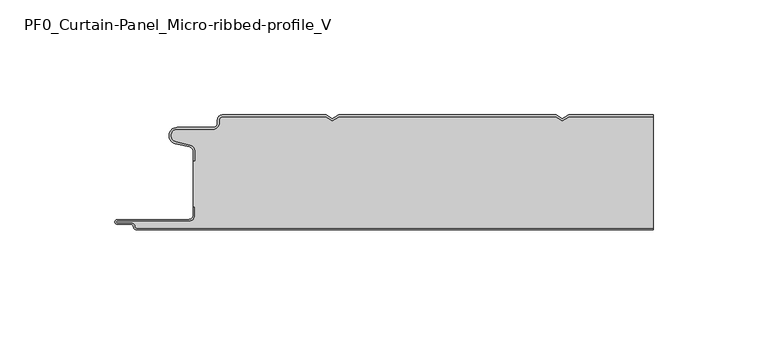
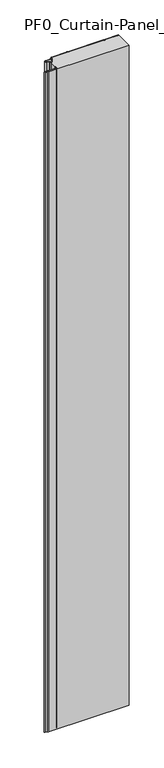
"""IFC4 building model written with IfcOpenShell, lengths in millimetres: plate geometry, PF0_Curtain-Panel_Micro-ribbed-profile_V."""

from ifc_helpers import new_model, si_unit, point, frame_2d, origin, origin_with_axes, place, context, project, spatial, polyline, circle_curve, trimmed, segment, composite_curve, outline, extrude, source, transform, mapped, element, save


def pf0_curtain_panel_micro_ribbed_profile_v_6b5bf92c(model_context):
    return source(origin(), model_context, "Body", "SweptSolid", [
        extrude(outline(composite_curve([segment(trimmed(circle_curve(frame_2d((-102.0119739, -15.878557)), 2.0), [point((-100.0119739, -15.878557))], [point((-101.5620718, -13.9298169))], True, "CARTESIAN"), True, "CONTINUOUS"), segment(polyline([(-101.5620718, -13.9298169), (-107.7217978, -12.507732)]), True, "CONTINUOUS"), segment(trimmed(circle_curve(frame_2d((-106.9119739, -9.0)), 3.6), [point((-107.7217978, -12.507732))], [point((-106.9119739, -5.4))], False, "CARTESIAN"), True, "CONTINUOUS"), segment(polyline([(-106.9119739, -5.4), (-91.4119739, -5.4)]), True, "CONTINUOUS"), segment(trimmed(circle_curve(frame_2d((-91.4119739, -3.4)), 2.0), [point((-91.4119739, -5.4))], [point((-89.4119739, -3.4))], True, "CARTESIAN"), True, "CONTINUOUS"), segment(polyline([(-89.4119739, -3.4), (-89.4119739, -2.0)]), True, "CONTINUOUS"), segment(trimmed(circle_curve(frame_2d((-87.4119739, -2.0)), 2.0), [point((-89.4119739, -2.0))], [point((-87.4119739, 0.0))], False, "CARTESIAN"), True, "CONTINUOUS"), segment(polyline([(-87.4119739, 0.0), (-42.1119734, 0.0), (-39.4119739, -1.5588455), (-36.7119745, 0.0), (57.8880266, 0.0), (60.5880261, -1.5588455), (63.2880255, 0.0), (100.0119739, 0.0), (100.0119739, -0.8), (63.5023849, -0.8), (60.5880261, -2.482606), (57.6736672, -0.8), (-36.4976151, -0.8), (-39.4119739, -2.482606), (-42.3263328, -0.8), (-87.4119739, -0.8)]), True, "CONTINUOUS"), segment(trimmed(circle_curve(frame_2d((-87.4119739, -2.0)), 1.2), [point((-87.4119739, -0.8))], [point((-88.6119739, -2.0))], True, "CARTESIAN"), True, "CONTINUOUS"), segment(polyline([(-88.6119739, -2.0), (-88.6119739, -3.4)]), True, "CONTINUOUS"), segment(trimmed(circle_curve(frame_2d((-91.4119739, -3.4)), 2.8), [point((-88.6119739, -3.4))], [point((-91.4119739, -6.2))], False, "CARTESIAN"), True, "CONTINUOUS"), segment(polyline([(-91.4119739, -6.2), (-106.9119739, -6.2)]), True, "CONTINUOUS"), segment(trimmed(circle_curve(frame_2d((-106.9119739, -9.0)), 2.8), [point((-106.9119739, -6.2))], [point((-107.541837, -11.7282362))], True, "CARTESIAN"), True, "CONTINUOUS"), segment(polyline([(-107.541837, -11.7282362), (-101.3821109, -13.150321)]), True, "CONTINUOUS"), segment(trimmed(circle_curve(frame_2d((-102.0119739, -15.878557)), 2.8), [point((-101.3821109, -13.150321))], [point((-99.2119739, -15.878557))], False, "CARTESIAN"), True, "CONTINUOUS"), segment(polyline([(-99.2119739, -15.878557), (-99.2119739, -20.0), (-100.0119739, -20.0), (-100.0119739, -15.878557)]), True, "CONTINUOUS")], self_intersect=False)), origin_with_axes(), (0.0, 0.0, 1.0), 1945.7507136),
        extrude(outline(composite_curve([segment(polyline([(-99.2119739, -40.0), (-100.0119739, -40.0), (-100.0119739, -20.0), (-99.2119739, -20.0), (-99.2119739, -15.878557)]), True, "CONTINUOUS"), segment(trimmed(circle_curve(frame_2d((-102.0119739, -15.878557)), 2.8), [point((-99.2119739, -15.878557))], [point((-101.3821109, -13.1503208))], True, "CARTESIAN"), True, "CONTINUOUS"), segment(polyline([(-101.3821109, -13.1503208), (-107.5418369, -11.7282362)]), True, "CONTINUOUS"), segment(trimmed(circle_curve(frame_2d((-106.9119739, -9.0)), 2.8), [point((-107.5418369, -11.7282362))], [point((-106.9119739, -6.2))], False, "CARTESIAN"), True, "CONTINUOUS"), segment(polyline([(-106.9119739, -6.2), (-91.4119739, -6.2)]), True, "CONTINUOUS"), segment(trimmed(circle_curve(frame_2d((-91.4119739, -3.4)), 2.8), [point((-91.4119739, -6.2))], [point((-88.6119739, -3.4))], True, "CARTESIAN"), True, "CONTINUOUS"), segment(polyline([(-88.6119739, -3.4), (-88.6119739, -2.0)]), True, "CONTINUOUS"), segment(trimmed(circle_curve(frame_2d((-87.4119739, -2.0)), 1.2), [point((-88.6119739, -2.0))], [point((-87.4119739, -0.8))], False, "CARTESIAN"), True, "CONTINUOUS"), segment(polyline([(-87.4119739, -0.8), (-42.3263328, -0.8), (-39.4119739, -2.482606), (-36.4976151, -0.8), (57.6736672, -0.8), (60.5880261, -2.482606), (63.5023849, -0.8), (100.0119739, -0.8), (100.0119739, -49.2), (-124.4119739, -49.2)]), True, "CONTINUOUS"), segment(trimmed(circle_curve(frame_2d((-124.4119739, -48.4)), 0.8), [point((-124.4119739, -49.2))], [point((-125.2119739, -48.4))], False, "CARTESIAN"), True, "CONTINUOUS"), segment(trimmed(circle_curve(frame_2d((-126.9119739, -48.6133333)), 1.7133333), [point((-125.2119739, -48.4))], [point((-126.9119739, -46.9))], True, "CARTESIAN"), True, "CONTINUOUS"), segment(polyline([(-126.9119739, -46.9), (-132.8820051, -46.9)]), True, "CONTINUOUS"), segment(trimmed(circle_curve(frame_2d((-132.8820051, -46.6)), 0.3), [point((-132.8820051, -46.9))], [point((-132.8820051, -46.3))], False, "CARTESIAN"), True, "CONTINUOUS"), segment(polyline([(-132.8820051, -46.3), (-102.0119739, -46.3)]), True, "CONTINUOUS"), segment(trimmed(circle_curve(frame_2d((-102.0119739, -43.5)), 2.8), [point((-102.0119739, -46.3))], [point((-99.2119739, -43.5))], True, "CARTESIAN"), True, "CONTINUOUS"), segment(polyline([(-99.2119739, -43.5), (-99.2119739, -40.0)]), True, "CONTINUOUS")], self_intersect=False)), origin_with_axes(), (0.0, 0.0, 1.0), 1945.7507136),
        extrude(outline(composite_curve([segment(polyline([(-100.0119739, -40.0), (-99.2119739, -40.0), (-99.2119739, -43.5)]), True, "CONTINUOUS"), segment(trimmed(circle_curve(frame_2d((-102.0119739, -43.5)), 2.8), [point((-99.2119739, -43.5))], [point((-102.0119739, -46.3))], False, "CARTESIAN"), True, "CONTINUOUS"), segment(polyline([(-102.0119739, -46.3), (-132.8820051, -46.3)]), True, "CONTINUOUS"), segment(trimmed(circle_curve(frame_2d((-132.8820051, -46.6)), 0.3), [point((-132.8820051, -46.3))], [point((-132.8820051, -46.9))], True, "CARTESIAN"), True, "CONTINUOUS"), segment(polyline([(-132.8820051, -46.9), (-126.9119739, -46.9)]), True, "CONTINUOUS"), segment(trimmed(circle_curve(frame_2d((-126.9119739, -48.6133333)), 1.7133333), [point((-126.9119739, -46.9))], [point((-125.2119739, -48.4))], False, "CARTESIAN"), True, "CONTINUOUS"), segment(trimmed(circle_curve(frame_2d((-124.4119739, -48.4)), 0.8), [point((-125.2119739, -48.4))], [point((-124.4119739, -49.2))], True, "CARTESIAN"), True, "CONTINUOUS"), segment(polyline([(-124.4119739, -49.2), (100.0119739, -49.2), (100.0119739, -50.0), (-124.4119739, -50.0)]), True, "CONTINUOUS"), segment(trimmed(circle_curve(frame_2d((-124.4119739, -48.4)), 1.6), [point((-124.4119739, -50.0))], [point((-126.0119739, -48.4))], False, "CARTESIAN"), True, "CONTINUOUS"), segment(trimmed(circle_curve(frame_2d((-126.9119739, -48.4)), 0.9), [point((-126.0119739, -48.4))], [point((-126.9119739, -47.5))], True, "CARTESIAN"), True, "CONTINUOUS"), segment(polyline([(-126.9119739, -47.5), (-133.0119739, -47.5)]), True, "CONTINUOUS"), segment(trimmed(circle_curve(frame_2d((-133.0119739, -46.5)), 1.0), [point((-133.0119739, -47.5))], [point((-133.0119739, -45.5))], False, "CARTESIAN"), True, "CONTINUOUS"), segment(polyline([(-133.0119739, -45.5), (-102.0119739, -45.5)]), True, "CONTINUOUS"), segment(trimmed(circle_curve(frame_2d((-102.0119739, -43.5)), 2.0), [point((-102.0119739, -45.5))], [point((-100.0119739, -43.5))], True, "CARTESIAN"), True, "CONTINUOUS"), segment(polyline([(-100.0119739, -43.5), (-100.0119739, -40.0)]), True, "CONTINUOUS")], self_intersect=False)), origin_with_axes(), (0.0, 0.0, 1.0), 1945.7507136),
    ])


if __name__ == "__main__":
    model = new_model("IFC4")
    model_context = context("Model", 3, world=origin())
    ifc_project = project(units=[si_unit("LENGTHUNIT", "METRE", prefix="MILLI")], contexts=[model_context])
    site = spatial("IfcSite", under=ifc_project)
    building = spatial("IfcBuilding", under=site)
    placement = place(None, origin())
    pf0_curtain_panel_micro_ribbed_profile_v_shape = pf0_curtain_panel_micro_ribbed_profile_v_6b5bf92c(model_context)
    element("IfcPlate", 1, ObjectType="PF0_Curtain-Panel_Micro-ribbed-profile_V", at=placement, inside=building, context=model_context, shape_type="MappedRepresentation", body=[
        mapped(pf0_curtain_panel_micro_ribbed_profile_v_shape, transform((0.0, 0.0, 0.0), x_axis=(1.0, 0.0, 0.0), y_axis=(0.0, 1.0, 0.0), z_axis=(0.0, 0.0, 1.0))),
    ])
    save(model, "model.ifc")
